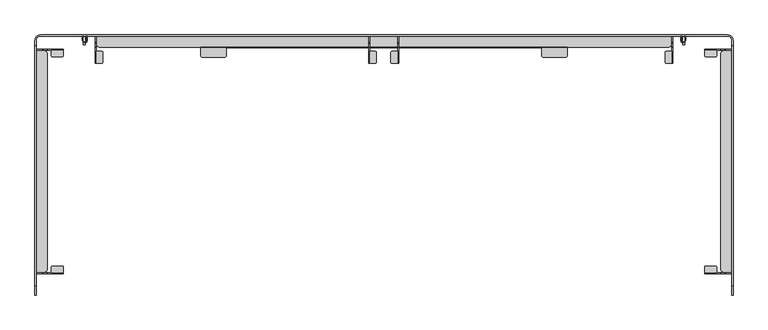
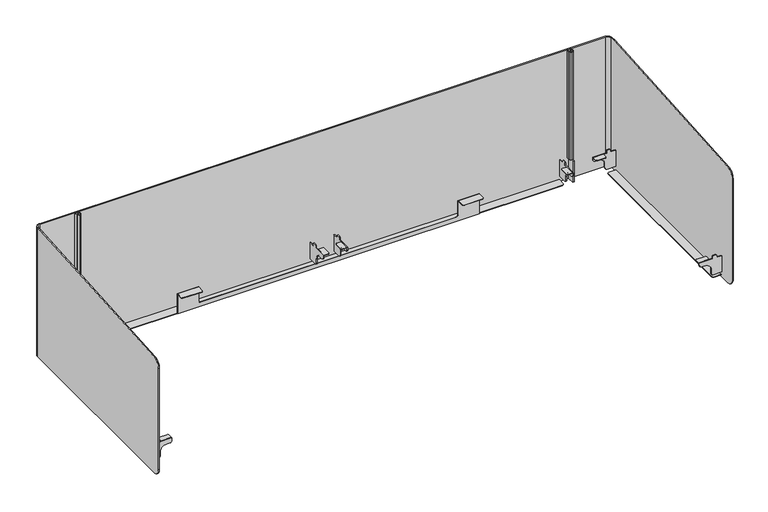
"""IFC4 building model written with IfcOpenShell, lengths in millimetres: furniture geometry."""

from ifc_helpers import new_model, si_unit, point, frame, frame_2d, origin, place, context, project, spatial, polyline, circle_curve, trimmed, segment, composite_curve, outline, extrude, source, transform, mapped, element, save
from ifc_brep_helpers import plane_surface, cylinder_surface, revolved_surface, advanced_brep


def furniture_c3acfbd5(model_context):
    return source(origin(), model_context, "Body", "SolidModel", [
        extrude(outline(composite_curve([segment(trimmed(circle_curve(frame_2d((865.2241162, -13.8465638)), 3.6795572), [point((865.2241162, -10.1670066))], [point((868.9036734, -13.8465638))], False, "CARTESIAN"), True, "CONTINUOUS"), segment(polyline([(868.9036734, -13.8465638), (868.9036734, -37.6159502)]), True, "CONTINUOUS"), segment(trimmed(circle_curve(frame_2d((865.3716228, -37.6159502)), 3.5320505), [point((868.9036734, -37.6159502))], [point((865.3716228, -41.1480008))], False, "CARTESIAN"), True, "CONTINUOUS"), segment(polyline([(865.3716228, -41.1480008), (851.9236778, -41.1480008), (851.9236778, -10.1670066), (865.2241162, -10.1670066)]), True, "CONTINUOUS")], self_intersect=False)), frame((0.0, 0.0, 705.0249787), z_axis=(0.0, 0.0, 1.0), x_axis=(1.0, 0.0, 0.0)), (0.0, 0.0, 1.0), 1.4990364),
        extrude(outline(composite_curve([segment(polyline([(-41.1480008, 698.3549885), (-41.1480008, 706.5240151), (-0.0170065, 706.5240151), (-0.0170065, 714.0049538), (1.9829938, 716.0049771), (10.0529937, 716.0049771), (12.0529943, 714.0049765), (12.0529943, 706.5240151), (28.7019992, 706.5240151), (28.7019992, 653.2489966), (2.0710893, 653.2489966)]), True, "CONTINUOUS"), segment(trimmed(circle_curve(frame_2d((2.0710893, 660.1980932)), 6.9490967), [point((2.0710893, 653.2489966))], [point((-4.8780074, 660.1980932))], False, "CARTESIAN"), True, "CONTINUOUS"), segment(polyline([(-4.8780074, 660.1980932), (-4.8780074, 672.9549885)]), True, "CONTINUOUS"), segment(trimmed(circle_curve(frame_2d((-23.9280074, 672.9549885)), 19.05), [point((-4.8780074, 672.9549885))], [point((-23.9280074, 692.0049885))], True, "CARTESIAN"), True, "CONTINUOUS"), segment(polyline([(-23.9280074, 692.0049885), (-34.7980008, 692.0049885)]), True, "CONTINUOUS"), segment(trimmed(circle_curve(frame_2d((-34.7980008, 698.3549885)), 6.35), [point((-34.7980008, 692.0049885))], [point((-41.1480008, 698.3549885))], False, "CARTESIAN"), True, "CONTINUOUS")], self_intersect=False)), frame((849.4046455, 0.0, 0.0), z_axis=(1.0, 0.0, 0.0), x_axis=(0.0, 1.0, 0.0)), (0.0, 0.0, 1.0), 2.5190323),
        extrude(outline(composite_curve([segment(polyline([(909.7278625, -10.1670066), (923.0283009, -10.1670066), (923.0283009, -41.1480008), (909.5803559, -41.1480008)]), True, "CONTINUOUS"), segment(trimmed(circle_curve(frame_2d((909.5803559, -37.6159502)), 3.5320505), [point((909.5803559, -41.1480008))], [point((906.0483053, -37.6159502))], False, "CARTESIAN"), True, "CONTINUOUS"), segment(polyline([(906.0483053, -37.6159502), (906.0483053, -13.8465638)]), True, "CONTINUOUS"), segment(trimmed(circle_curve(frame_2d((909.7278625, -13.8465638)), 3.6795572), [point((906.0483053, -13.8465638))], [point((909.7278625, -10.1670066))], False, "CARTESIAN"), True, "CONTINUOUS")], self_intersect=False)), frame((0.0, 0.0, 705.0249787), z_axis=(0.0, 0.0, 1.0), x_axis=(1.0, 0.0, 0.0)), (0.0, 0.0, 1.0), 1.4990364),
        extrude(outline(composite_curve([segment(polyline([(-41.1480008, 698.3549885), (-41.1480008, 706.5240151), (-0.0170065, 706.5240151), (-0.0170065, 714.0049538), (1.9829938, 716.0049771), (10.0529937, 716.0049771), (12.0529943, 714.0049765), (12.0529943, 706.5240151), (28.7019992, 706.5240151), (28.7019992, 653.2489966), (2.0710893, 653.2489966)]), True, "CONTINUOUS"), segment(trimmed(circle_curve(frame_2d((2.0710893, 660.1980932)), 6.9490967), [point((2.0710893, 653.2489966))], [point((-4.8780074, 660.1980932))], False, "CARTESIAN"), True, "CONTINUOUS"), segment(polyline([(-4.8780074, 660.1980932), (-4.8780074, 672.9549885)]), True, "CONTINUOUS"), segment(trimmed(circle_curve(frame_2d((-23.9280074, 672.9549885)), 19.05), [point((-4.8780074, 672.9549885))], [point((-23.9280074, 692.0049885))], True, "CARTESIAN"), True, "CONTINUOUS"), segment(polyline([(-23.9280074, 692.0049885), (-34.7980008, 692.0049885)]), True, "CONTINUOUS"), segment(trimmed(circle_curve(frame_2d((-34.7980008, 698.3549885)), 6.35), [point((-34.7980008, 692.0049885))], [point((-41.1480008, 698.3549885))], False, "CARTESIAN"), True, "CONTINUOUS")], self_intersect=False)), frame((923.0283009, 0.0, 0.0), z_axis=(1.0, 0.0, 0.0), x_axis=(0.0, 1.0, 0.0)), (0.0, 0.0, 1.0), 2.5190323),
        extrude(outline(composite_curve([segment(polyline([(38.8690059, -20.5678688), (38.8690059, -7.2674304), (69.85, -7.2674304), (69.85, -20.7153754)]), True, "CONTINUOUS"), segment(trimmed(circle_curve(frame_2d((66.3179495, -20.7153754)), 3.5320505), [point((69.85, -20.7153754))], [point((66.3179495, -24.247426))], False, "CARTESIAN"), True, "CONTINUOUS"), segment(polyline([(66.3179495, -24.247426), (42.5485631, -24.247426)]), True, "CONTINUOUS"), segment(trimmed(circle_curve(frame_2d((42.5485631, -20.5678688)), 3.6795572), [point((42.5485631, -24.247426))], [point((38.8690059, -20.5678688))], False, "CARTESIAN"), True, "CONTINUOUS")], self_intersect=False)), frame((0.0, 0.0, 705.0249787), z_axis=(0.0, 0.0, 1.0), x_axis=(1.0, 0.0, 0.0)), (0.0, 0.0, 1.0), 1.4990364),
        extrude(outline(composite_curve([segment(polyline([(698.3549885, 69.85), (706.5240151, 69.85), (706.5240151, 28.7190057), (714.0049538, 28.7190057), (716.0049771, 26.7190054), (716.0049771, 18.6490055), (714.0049765, 16.649005), (706.5240151, 16.649005), (706.5240151, 0.0), (653.2489966, 0.0), (653.2489966, 26.6309099)]), True, "CONTINUOUS"), segment(trimmed(circle_curve(frame_2d((660.1980932, 26.6309099)), 6.9490967), [point((653.2489966, 26.6309099))], [point((660.1980932, 33.5800066))], False, "CARTESIAN"), True, "CONTINUOUS"), segment(polyline([(660.1980932, 33.5800066), (672.9549885, 33.5800066)]), True, "CONTINUOUS"), segment(trimmed(circle_curve(frame_2d((672.9549885, 52.6300066)), 19.05), [point((672.9549885, 33.5800066))], [point((692.0049885, 52.6300066))], True, "CARTESIAN"), True, "CONTINUOUS"), segment(polyline([(692.0049885, 52.6300066), (692.0049885, 63.5)]), True, "CONTINUOUS"), segment(trimmed(circle_curve(frame_2d((698.3549885, 63.5)), 6.35), [point((692.0049885, 63.5))], [point((698.3549885, 69.85))], False, "CARTESIAN"), True, "CONTINUOUS")], self_intersect=False)), frame((0.0, -7.2674304, 0.0), z_axis=(0.0, 1.0, 0.0), x_axis=(0.0, 0.0, 1.0)), (0.0, 0.0, 1.0), 2.5190323),
        extrude(outline(composite_curve([segment(trimmed(circle_curve(frame_2d((1734.3734498, -20.5678688)), 3.6795572), [point((1738.053007, -20.5678688))], [point((1734.3734498, -24.247426))], False, "CARTESIAN"), True, "CONTINUOUS"), segment(polyline([(1734.3734498, -24.247426), (1710.6040634, -24.247426)]), True, "CONTINUOUS"), segment(trimmed(circle_curve(frame_2d((1710.6040634, -20.7153754)), 3.5320505), [point((1710.6040634, -24.247426))], [point((1707.0720129, -20.7153754))], False, "CARTESIAN"), True, "CONTINUOUS"), segment(polyline([(1707.0720129, -20.7153754), (1707.0720129, -7.2674304), (1738.053007, -7.2674304), (1738.053007, -20.5678688)]), True, "CONTINUOUS")], self_intersect=False)), frame((0.0, 0.0, 705.0249787), z_axis=(0.0, 0.0, 1.0), x_axis=(1.0, 0.0, 0.0)), (0.0, 0.0, 1.0), 1.4990364),
        extrude(outline(composite_curve([segment(trimmed(circle_curve(frame_2d((698.3549885, 1713.4220129)), 6.35), [point((698.3549885, 1707.0720129))], [point((692.0049885, 1713.4220129))], False, "CARTESIAN"), True, "CONTINUOUS"), segment(polyline([(692.0049885, 1713.4220129), (692.0049885, 1724.2920063)]), True, "CONTINUOUS"), segment(trimmed(circle_curve(frame_2d((672.9549885, 1724.2920063)), 19.05), [point((692.0049885, 1724.2920063))], [point((672.9549885, 1743.3420063))], True, "CARTESIAN"), True, "CONTINUOUS"), segment(polyline([(672.9549885, 1743.3420063), (660.1980932, 1743.3420063)]), True, "CONTINUOUS"), segment(trimmed(circle_curve(frame_2d((660.1980932, 1750.291103)), 6.9490967), [point((660.1980932, 1743.3420063))], [point((653.2489966, 1750.291103))], False, "CARTESIAN"), True, "CONTINUOUS"), segment(polyline([(653.2489966, 1750.291103), (653.2489966, 1776.9220129), (706.5240151, 1776.9220129), (706.5240151, 1760.2730079), (714.0049765, 1760.2730079), (716.0049771, 1758.2730074), (716.0049771, 1750.2030075), (714.0049538, 1748.2030072), (706.5240151, 1748.2030072), (706.5240151, 1707.0720129), (698.3549885, 1707.0720129)]), True, "CONTINUOUS")], self_intersect=False)), frame((0.0, -7.2674304, 0.0), z_axis=(0.0, 1.0, 0.0), x_axis=(0.0, 0.0, 1.0)), (0.0, 0.0, 1.0), 2.5190323),
        extrude(outline(composite_curve([segment(trimmed(circle_curve(frame_2d((42.5485631, -562.1616728)), 3.6795572), [point((38.8690059, -562.1616728))], [point((42.5485631, -558.4821156))], False, "CARTESIAN"), True, "CONTINUOUS"), segment(polyline([(42.5485631, -558.4821156), (66.3179495, -558.4821156)]), True, "CONTINUOUS"), segment(trimmed(circle_curve(frame_2d((66.3179495, -562.0141661)), 3.5320505), [point((66.3179495, -558.4821156))], [point((69.85, -562.0141661))], False, "CARTESIAN"), True, "CONTINUOUS"), segment(polyline([(69.85, -562.0141661), (69.85, -575.4621111), (38.8690059, -575.4621111), (38.8690059, -562.1616728)]), True, "CONTINUOUS")], self_intersect=False)), frame((0.0, 0.0, 705.0249787), z_axis=(0.0, 0.0, 1.0), x_axis=(1.0, 0.0, 0.0)), (0.0, 0.0, 1.0), 1.4990364),
        extrude(outline(composite_curve([segment(polyline([(698.3549885, 69.85), (706.5240151, 69.85), (706.5240151, 28.7190057), (714.0049538, 28.7190057), (716.0049771, 26.7190054), (716.0049771, 18.6490055), (714.0049765, 16.649005), (706.5240151, 16.649005), (706.5240151, 0.0), (653.2489966, 0.0), (653.2489966, 26.6309099)]), True, "CONTINUOUS"), segment(trimmed(circle_curve(frame_2d((660.1980932, 26.6309099)), 6.9490967), [point((653.2489966, 26.6309099))], [point((660.1980932, 33.5800066))], False, "CARTESIAN"), True, "CONTINUOUS"), segment(polyline([(660.1980932, 33.5800066), (672.9549885, 33.5800066)]), True, "CONTINUOUS"), segment(trimmed(circle_curve(frame_2d((672.9549885, 52.6300066)), 19.05), [point((672.9549885, 33.5800066))], [point((692.0049885, 52.6300066))], True, "CARTESIAN"), True, "CONTINUOUS"), segment(polyline([(692.0049885, 52.6300066), (692.0049885, 63.5)]), True, "CONTINUOUS"), segment(trimmed(circle_curve(frame_2d((698.3549885, 63.5)), 6.35), [point((692.0049885, 63.5))], [point((698.3549885, 69.85))], False, "CARTESIAN"), True, "CONTINUOUS")], self_intersect=False)), frame((0.0, -577.9811434, 0.0), z_axis=(0.0, 1.0, 0.0), x_axis=(0.0, 0.0, 1.0)), (0.0, 0.0, 1.0), 2.5190323),
        extrude(outline(composite_curve([segment(polyline([(1738.053007, -562.1616728), (1738.053007, -575.4621111), (1707.0720129, -575.4621111), (1707.0720129, -562.0141661)]), True, "CONTINUOUS"), segment(trimmed(circle_curve(frame_2d((1710.6040634, -562.0141661)), 3.5320505), [point((1707.0720129, -562.0141661))], [point((1710.6040634, -558.4821156))], False, "CARTESIAN"), True, "CONTINUOUS"), segment(polyline([(1710.6040634, -558.4821156), (1734.3734498, -558.4821156)]), True, "CONTINUOUS"), segment(trimmed(circle_curve(frame_2d((1734.3734498, -562.1616728)), 3.6795572), [point((1734.3734498, -558.4821156))], [point((1738.053007, -562.1616728))], False, "CARTESIAN"), True, "CONTINUOUS")], self_intersect=False)), frame((0.0, 0.0, 705.0249787), z_axis=(0.0, 0.0, 1.0), x_axis=(1.0, 0.0, 0.0)), (0.0, 0.0, 1.0), 1.4990364),
        extrude(outline(composite_curve([segment(trimmed(circle_curve(frame_2d((698.3549885, 1713.4220129)), 6.35), [point((698.3549885, 1707.0720129))], [point((692.0049885, 1713.4220129))], False, "CARTESIAN"), True, "CONTINUOUS"), segment(polyline([(692.0049885, 1713.4220129), (692.0049885, 1724.2920063)]), True, "CONTINUOUS"), segment(trimmed(circle_curve(frame_2d((672.9549885, 1724.2920063)), 19.05), [point((692.0049885, 1724.2920063))], [point((672.9549885, 1743.3420063))], True, "CARTESIAN"), True, "CONTINUOUS"), segment(polyline([(672.9549885, 1743.3420063), (660.1980932, 1743.3420063)]), True, "CONTINUOUS"), segment(trimmed(circle_curve(frame_2d((660.1980932, 1750.291103)), 6.9490967), [point((660.1980932, 1743.3420063))], [point((653.2489966, 1750.291103))], False, "CARTESIAN"), True, "CONTINUOUS"), segment(polyline([(653.2489966, 1750.291103), (653.2489966, 1776.9220129), (706.5240151, 1776.9220129), (706.5240151, 1760.2730079), (714.0049765, 1760.2730079), (716.0049771, 1758.2730074), (716.0049771, 1750.2030075), (714.0049538, 1748.2030072), (706.5240151, 1748.2030072), (706.5240151, 1707.0720129), (698.3549885, 1707.0720129)]), True, "CONTINUOUS")], self_intersect=False)), frame((0.0, -577.9811434, 0.0), z_axis=(0.0, 1.0, 0.0), x_axis=(0.0, 0.0, 1.0)), (0.0, 0.0, 1.0), 2.5190323),
        extrude(outline(composite_curve([segment(trimmed(circle_curve(frame_2d((166.8231194, -13.8465638)), 3.6795572), [point((166.8231194, -10.1670066))], [point((170.5026766, -13.8465638))], False, "CARTESIAN"), True, "CONTINUOUS"), segment(polyline([(170.5026766, -13.8465638), (170.5026766, -37.6159502)]), True, "CONTINUOUS"), segment(trimmed(circle_curve(frame_2d((166.9706261, -37.6159502)), 3.5320505), [point((170.5026766, -37.6159502))], [point((166.9706261, -41.1480008))], False, "CARTESIAN"), True, "CONTINUOUS"), segment(polyline([(166.9706261, -41.1480008), (153.5226811, -41.1480008), (153.5226811, -10.1670066), (166.8231194, -10.1670066)]), True, "CONTINUOUS")], self_intersect=False)), frame((0.0, 0.0, 705.0249787), z_axis=(0.0, 0.0, 1.0), x_axis=(1.0, 0.0, 0.0)), (0.0, 0.0, 1.0), 1.4990364),
        extrude(outline(composite_curve([segment(polyline([(-41.1480008, 698.3549885), (-41.1480008, 706.5240151), (-0.0170065, 706.5240151), (-0.0170065, 714.0049538), (1.9829938, 716.0049771), (10.0529937, 716.0049771), (12.0529943, 714.0049765), (12.0529943, 706.5240151), (28.7019992, 706.5240151), (28.7019992, 653.2489966), (2.0710893, 653.2489966)]), True, "CONTINUOUS"), segment(trimmed(circle_curve(frame_2d((2.0710893, 660.1980932)), 6.9490967), [point((2.0710893, 653.2489966))], [point((-4.8780074, 660.1980932))], False, "CARTESIAN"), True, "CONTINUOUS"), segment(polyline([(-4.8780074, 660.1980932), (-4.8780074, 672.9549885)]), True, "CONTINUOUS"), segment(trimmed(circle_curve(frame_2d((-23.9280074, 672.9549885)), 19.05), [point((-4.8780074, 672.9549885))], [point((-23.9280074, 692.0049885))], True, "CARTESIAN"), True, "CONTINUOUS"), segment(polyline([(-23.9280074, 692.0049885), (-34.7980008, 692.0049885)]), True, "CONTINUOUS"), segment(trimmed(circle_curve(frame_2d((-34.7980008, 698.3549885)), 6.35), [point((-34.7980008, 692.0049885))], [point((-41.1480008, 698.3549885))], False, "CARTESIAN"), True, "CONTINUOUS")], self_intersect=False)), frame((151.0036488, 0.0, 0.0), z_axis=(1.0, 0.0, 0.0), x_axis=(0.0, 1.0, 0.0)), (0.0, 0.0, 1.0), 2.5190323),
        extrude(outline(composite_curve([segment(polyline([(1610.1269253, -10.1670066), (1623.4273636, -10.1670066), (1623.4273636, -41.1480008), (1609.9794186, -41.1480008)]), True, "CONTINUOUS"), segment(trimmed(circle_curve(frame_2d((1609.9794186, -37.6159502)), 3.5320505), [point((1609.9794186, -41.1480008))], [point((1606.4473681, -37.6159502))], False, "CARTESIAN"), True, "CONTINUOUS"), segment(polyline([(1606.4473681, -37.6159502), (1606.4473681, -13.8465638)]), True, "CONTINUOUS"), segment(trimmed(circle_curve(frame_2d((1610.1269253, -13.8465638)), 3.6795572), [point((1606.4473681, -13.8465638))], [point((1610.1269253, -10.1670066))], False, "CARTESIAN"), True, "CONTINUOUS")], self_intersect=False)), frame((0.0, 0.0, 705.0249787), z_axis=(0.0, 0.0, 1.0), x_axis=(1.0, 0.0, 0.0)), (0.0, 0.0, 1.0), 1.4990364),
        extrude(outline(composite_curve([segment(polyline([(-41.1480008, 698.3549885), (-41.1480008, 706.5240151), (-0.0170065, 706.5240151), (-0.0170065, 714.0049538), (1.9829938, 716.0049771), (10.0529937, 716.0049771), (12.0529943, 714.0049765), (12.0529943, 706.5240151), (28.7019992, 706.5240151), (28.7019992, 653.2489966), (2.0710893, 653.2489966)]), True, "CONTINUOUS"), segment(trimmed(circle_curve(frame_2d((2.0710893, 660.1980932)), 6.9490967), [point((2.0710893, 653.2489966))], [point((-4.8780074, 660.1980932))], False, "CARTESIAN"), True, "CONTINUOUS"), segment(polyline([(-4.8780074, 660.1980932), (-4.8780074, 672.9549885)]), True, "CONTINUOUS"), segment(trimmed(circle_curve(frame_2d((-23.9280074, 672.9549885)), 19.05), [point((-4.8780074, 672.9549885))], [point((-23.9280074, 692.0049885))], True, "CARTESIAN"), True, "CONTINUOUS"), segment(polyline([(-23.9280074, 692.0049885), (-34.7980008, 692.0049885)]), True, "CONTINUOUS"), segment(trimmed(circle_curve(frame_2d((-34.7980008, 698.3549885)), 6.35), [point((-34.7980008, 692.0049885))], [point((-41.1480008, 698.3549885))], False, "CARTESIAN"), True, "CONTINUOUS")], self_intersect=False)), frame((1623.4273636, 0.0, 0.0), z_axis=(1.0, 0.0, 0.0), x_axis=(0.0, 1.0, 0.0)), (0.0, 0.0, 1.0), 2.5190323),
        extrude(outline(polyline([(1656.3590105, 6.3500002), (1650.7790186, 6.3500002), (1650.7790186, 31.7499992), (1656.3590105, 31.7499992), (1656.3590105, 6.3500002)])), frame((0.0, 0.0, 636.524), z_axis=(0.0, 0.0, 1.0), x_axis=(1.0, 0.0, 0.0)), (0.0, 0.0, 1.0), 69.9633167),
        extrude(outline(polyline([(126.170996, 6.3500002), (120.5910041, 6.3500002), (120.5910041, 31.7499992), (126.170996, 31.7499992), (126.170996, 6.3500002)])), frame((0.0, 0.0, 636.524), z_axis=(0.0, 0.0, 1.0), x_axis=(1.0, 0.0, 0.0)), (0.0, 0.0, 1.0), 69.9633167),
        extrude(outline(polyline([(420.4740132, -1.520001), (485.4740218, -1.520001), (485.4740218, -22.4209839), (482.4740079, -25.4210024), (423.4740118, -25.4210024), (420.4740132, -22.4209993), (420.4740132, -1.520001)])), frame((0.0, 0.0, 705.0249787), z_axis=(0.0, 0.0, 1.0), x_axis=(1.0, 0.0, 0.0)), (0.0, 0.0, 1.0), 1.4623381),
        extrude(outline(polyline([(1291.4759718, -1.520001), (1356.4760014, -1.520001), (1356.4760014, -22.4209993), (1353.4759665, -25.4210024), (1294.4760067, -25.4210024), (1291.4759718, -22.4209993), (1291.4759718, -1.520001)])), frame((0.0, 0.0, 705.0249787), z_axis=(0.0, 0.0, 1.0), x_axis=(1.0, 0.0, 0.0)), (0.0, 0.0, 1.0), 1.4623381),
        extrude(outline(polyline([(706.4873167, 420.4740132), (641.2049643, 420.4740132), (641.2049643, 1356.4760014), (706.4873167, 1356.4760014), (706.4873167, 1291.4759718), (660.5239886, 1291.4759718), (656.2813696, 1289.7186663), (654.5239914, 1285.4759747), (654.5239914, 897.3889432), (654.5239914, 491.4740036), (656.2813696, 487.2313483), (660.5239515, 485.4740218), (706.4873167, 485.4740218), (706.4873167, 420.4740132)])), frame((0.0, -1.520001, 0.0), z_axis=(0.0, 1.0, 0.0), x_axis=(0.0, 0.0, 1.0)), (0.0, 0.0, 1.0), 1.520001),
        extrude(outline(polyline([(154.9749937, 28.7019992), (1621.9750056, 28.7019992), (1621.9750056, 6.7789995), (1620.2176274, 2.5363595), (1615.9750084, 0.7790004), (160.9749908, 0.7790004), (156.7323901, 2.5363595), (154.9749937, 6.7789995), (154.9749937, 28.7019992)])), frame((0.0, 0.0, 641.2049643), z_axis=(0.0, 0.0, 1.0), x_axis=(1.0, 0.0, 0.0)), (0.0, 0.0, 1.0), 1.4990364),
        extrude(outline(polyline([(1776.9220129, -8.7197502), (1776.9220129, -574.0097894), (1754.8217659, -574.0097894), (1750.579147, -572.2524112), (1748.821766, -568.0097854), (1748.821766, -14.7197388), (1750.579147, -10.4771335), (1754.8217659, -8.7197502), (1776.9220129, -8.7197502)])), frame((0.0, 0.0, 641.2049643), z_axis=(0.0, 0.0, 1.0), x_axis=(1.0, 0.0, 0.0)), (0.0, 0.0, 1.0), 1.4990364),
        extrude(outline(polyline([(0.0, -8.7197502), (22.1282492, -8.7197502), (26.3708909, -10.4771335), (28.1282486, -14.719732), (28.1282486, -568.0097923), (26.3708909, -572.2524112), (22.1282492, -574.0097894), (0.0, -574.0097894), (0.0, -8.7197502)])), frame((0.0, 0.0, 641.2049643), z_axis=(0.0, 0.0, 1.0), x_axis=(1.0, 0.0, 0.0)), (0.0, 0.0, 1.0), 1.4990364),
        extrude(outline(polyline([(1658.8200103, 27.7300003), (1658.8200103, 17.9800004), (1656.9894352, 13.5605822), (1652.5700102, 11.7300003), (1648.1505943, 13.5605822), (1646.3200102, 17.9800004), (1646.3200102, 27.7300003), (1647.2920114, 28.7019992), (1649.8200146, 28.7019992), (1649.8200146, 27.2300012), (1647.8200186, 27.2300012), (1647.8200186, 17.9800004), (1649.2112581, 14.6212426), (1652.5700102, 13.2299996), (1655.9287714, 14.6212426), (1657.320011, 17.9800004), (1657.320011, 27.2300012), (1655.320015, 27.2300012), (1655.320015, 28.7019992), (1657.8480179, 28.7019992), (1658.8200103, 27.7300003)])), frame((0.0, 0.0, 706.4873167), z_axis=(0.0, 0.0, 1.0), x_axis=(1.0, 0.0, 0.0)), (0.0, 0.0, 1.0), 353.3662323),
        extrude(outline(polyline([(118.1300043, 27.7300003), (119.1019967, 28.7019992), (121.6299996, 28.7019992), (121.6299996, 27.2300012), (119.6300036, 27.2300012), (119.6300036, 17.9800004), (121.0212432, 14.6212426), (124.3800044, 13.2299996), (127.7387565, 14.6212426), (129.129996, 17.9800004), (129.129996, 27.2300012), (127.13, 27.2300012), (127.13, 28.7019992), (129.6580032, 28.7019992), (130.6300044, 27.7300003), (130.6300044, 17.9800004), (128.7994203, 13.5605822), (124.3800044, 11.7300003), (119.9605794, 13.5605822), (118.1300043, 17.9800004), (118.1300043, 27.7300003)])), frame((0.0, 0.0, 706.4873167), z_axis=(0.0, 0.0, 1.0), x_axis=(1.0, 0.0, 0.0)), (0.0, 0.0, 1.0), 353.3662323),
        advanced_brep(
        [(1779.9700129, 17.2186658, 1059.853549), (1765.4386795, 31.7499992, 1059.853549), (11.5113351, 31.7499992, 1059.853549), (-3.0199983, 17.2186658, 1059.853549), (-3.0199983, 4.9133156, 1059.853549), (0.0, 4.9133156, 1059.853549), (0.0, 17.2050844, 1059.853549), (11.4969149, 28.7019992, 1059.853549), (1765.4530997, 28.7019992, 1059.853549), (1776.9220129, 18.0070086, 1059.853549), (1776.9220129, 4.9133156, 1059.853549), (1779.9700129, 4.9133156, 1059.853549), (1776.9220129, 18.0070086, 636.524), (1765.4530997, 28.7019992, 636.524), (11.4969149, 28.7019992, 636.524), (0.0, 17.2050844, 636.524), (0.0, -608.4600122, 636.524), (-3.0199983, -608.4600122, 636.524), (-3.0199983, 17.2186658, 636.524), (11.5113351, 31.7499992, 636.524), (1765.4386795, 31.7499992, 636.524), (1779.9700129, 17.2186658, 636.524), (1779.9700129, -608.4600122, 636.524), (1776.9220129, -608.4600122, 636.524), (1779.9700129, -632.4600008, 991.2711073), (1776.9220129, -632.4600008, 991.2711073), (1776.9220129, -632.4600008, 660.5239886), (1779.9700129, -632.4600008, 660.5239886), (-3.0199983, -632.4600008, 660.5239886), (-3.0199983, -632.4600008, 991.2711073), (-3.0199983, -610.1341833, 1016.8445463), (0.0, -632.4600008, 991.2711073), (0.0, -632.4600008, 660.5239886), (0.0, -610.1341833, 1016.8445463), (1776.9220129, -610.1341833, 1016.8445463), (1779.9700129, -610.1341833, 1016.8445463)],
        [
            (0, 1, circle_curve(frame((1765.4386795, 17.2186658, 1059.853549), z_axis=(0.0, 0.0, 1.0), x_axis=(1.0, 0.0, 0.0)), 14.5313334)),
            (1, 2),
            (2, 3, circle_curve(frame((11.5113351, 17.2186658, 1059.853549), z_axis=(0.0, 0.0, 1.0), x_axis=(1.0, 0.0, 0.0)), 14.5313334)),
            (3, 4),
            (4, 5),
            (5, 6),
            (6, 7, circle_curve(frame((11.4969149, 17.2050844, 1059.853549), z_axis=(0.0, 0.0, -1.0), x_axis=(1.0, 0.0, 0.0)), 11.4969149)),
            (7, 8),
            (8, 9, circle_curve(frame((1765.4530997, 17.2050844, 1059.853549), z_axis=(0.0, 0.0, -1.0), x_axis=(1.0, 0.0, 0.0)), 11.4969149)),
            (9, 10),
            (10, 11),
            (11, 0),
            (12, 13, circle_curve(frame((1765.4530997, 17.2050844, 636.524), z_axis=(0.0, 0.0, 1.0), x_axis=(1.0, 0.0, 0.0)), 11.4969149)),
            (13, 14),
            (14, 15, circle_curve(frame((11.4969149, 17.2050844, 636.524), z_axis=(0.0, 0.0, 1.0), x_axis=(1.0, 0.0, 0.0)), 11.4969149)),
            (15, 16),
            (16, 17),
            (17, 18),
            (18, 19, circle_curve(frame((11.5113351, 17.2186658, 636.524), z_axis=(0.0, 0.0, -1.0), x_axis=(1.0, 0.0, 0.0)), 14.5313334)),
            (19, 20),
            (20, 21, circle_curve(frame((1765.4386795, 17.2186658, 636.524), z_axis=(0.0, 0.0, -1.0), x_axis=(1.0, 0.0, 0.0)), 14.5313334)),
            (21, 22),
            (22, 23),
            (23, 12),
            (24, 25),
            (25, 26),
            (26, 27),
            (27, 24),
            (1, 20),
            (19, 2),
            (3, 18),
            (17, 28, circle_curve(frame((-3.0199983, -608.4600122, 660.5239886), z_axis=(-1.0, 0.0, 0.0), x_axis=(0.0, 1.0, 0.0)), 23.9999886)),
            (28, 29),
            (29, 30, circle_curve(frame((-3.0199983, -606.6503544, 991.2711073), z_axis=(-1.0, 0.0, 0.0), x_axis=(0.0, 1.0, 0.0)), 25.8096464)),
            (30, 4),
            (31, 29),
            (28, 32),
            (32, 31),
            (15, 6),
            (5, 33),
            (33, 31, circle_curve(frame((0.0, -606.6503544, 991.2711073), z_axis=(1.0, 0.0, 0.0), x_axis=(0.0, 1.0, 0.0)), 25.8096464)),
            (32, 16, circle_curve(frame((0.0, -608.4600122, 660.5239886), z_axis=(1.0, 0.0, 0.0), x_axis=(0.0, 1.0, 0.0)), 23.9999886)),
            (7, 14),
            (13, 8),
            (9, 12),
            (23, 26, circle_curve(frame((1776.9220129, -608.4600122, 660.5239886), z_axis=(-1.0, 0.0, 0.0), x_axis=(0.0, 1.0, 0.0)), 23.9999886)),
            (25, 34, circle_curve(frame((1776.9220129, -606.6503544, 991.2711073), z_axis=(-1.0, 0.0, 0.0), x_axis=(0.0, 1.0, 0.0)), 25.8096464)),
            (34, 10),
            (21, 0),
            (11, 35),
            (35, 24, circle_curve(frame((1779.9700129, -606.6503544, 991.2711073), z_axis=(1.0, 0.0, 0.0), x_axis=(0.0, 1.0, 0.0)), 25.8096464)),
            (27, 22, circle_curve(frame((1779.9700129, -608.4600122, 660.5239886), z_axis=(1.0, 0.0, 0.0), x_axis=(0.0, 1.0, 0.0)), 23.9999886)),
            (33, 30),
            (35, 34),
        ],
        [
            plane_surface(frame((1779.9700129, -632.4600008, 1059.853549), z_axis=(0.0, 0.0, 1.0), x_axis=(1.0, 0.0, 0.0))),
            plane_surface(frame((1779.9700129, -632.4600008, 636.524), z_axis=(0.0, 0.0, -1.0), x_axis=(-1.0, 0.0, 0.0))),
            plane_surface(frame((1776.9220129, -632.4600008, 1059.853549), z_axis=(0.0, -1.0, 0.0), x_axis=(0.0, 0.0, -1.0))),
            plane_surface(frame((1765.4386795, 31.7499992, 1059.853549), z_axis=(0.0, 1.0, 0.0), x_axis=(0.0, 0.0, -1.0))),
            plane_surface(frame((-3.0199983, 17.2186658, 1059.853549), z_axis=(-1.0, 0.0, 0.0), x_axis=(0.0, 0.0, -1.0))),
            plane_surface(frame((-3.0199983, -632.4600008, 1059.853549), z_axis=(0.0, -1.0, 0.0), x_axis=(0.0, 0.0, -1.0))),
            plane_surface(frame((0.0, -632.4600008, 1059.853549), z_axis=(1.0, 0.0, 0.0), x_axis=(0.0, 0.0, -1.0))),
            plane_surface(frame((11.4969149, 28.7019992, 1059.853549), z_axis=(0.0, -1.0, 0.0), x_axis=(0.0, 0.0, -1.0))),
            plane_surface(frame((1776.9220129, 18.0070086, 1059.853549), z_axis=(-1.0, 0.0, 0.0), x_axis=(0.0, 0.0, -1.0))),
            cylinder_surface(frame((11.5113351, 17.2186658, 636.524), z_axis=(0.0, 0.0, 1.0), x_axis=(1.0, 0.0, 0.0)), 14.5313334),
            revolved_surface(polyline([(22.9938298, 17.2050844, 636.524), (22.9938298, 17.2050844, 1059.853549)]), (11.4969149, 17.2050844, 636.524), (0.0, 0.0, -1.0)),
            plane_surface(frame((1779.9700129, -632.4600008, 1059.853549), z_axis=(1.0, 0.0, 0.0), x_axis=(0.0, 0.0, -1.0))),
            cylinder_surface(frame((1765.4386795, 17.2186658, 636.524), z_axis=(0.0, 0.0, 1.0), x_axis=(1.0, 0.0, 0.0)), 14.5313334),
            revolved_surface(polyline([(1776.9500146, 17.2050844, 636.524), (1776.9500146, 17.2050844, 1059.853549)]), (1765.4530997, 17.2050844, 636.524), (0.0, 0.0, -1.0)),
            cylinder_surface(frame((-27.2197398, -606.6503544, 991.2711073), z_axis=(-1.0, 0.0, 0.0), x_axis=(0.0, 1.0, 0.0)), 25.8096464),
            plane_surface(frame((1811.7200129, -610.1341833, 1016.8445463), z_axis=(0.0, -0.06975759048749605, 0.9975639721688925), x_axis=(-1.0, 0.0, 0.0))),
            cylinder_surface(frame((-27.2197398, -608.4600122, 660.5239886), z_axis=(-1.0, 0.0, 0.0), x_axis=(0.0, 1.0, 0.0)), 23.9999886),
        ],
        [
            (0, [[1, 2, 3, 4, 5, 6, 7, 8, 9, 10, 11, 12]]),
            (1, [[13, 14, 15, 16, 17, 18, 19, 20, 21, 22, 23, 24]]),
            (2, [[25, 26, 27, 28]]),
            (3, [[-2, 29, -20, 30]]),
            (4, [[31, -18, 32, 33, 34, 35, -4]]),
            (5, [[36, -33, 37, 38]]),
            (6, [[39, -6, 40, 41, -38, 42, -16]]),
            (7, [[-8, 43, -14, 44]]),
            (8, [[45, -24, 46, -26, 47, 48, -10]]),
            (9, [[-3, -30, -19, -31]]),
            (10, [[-7, -39, -15, -43]]),
            (11, [[49, -12, 50, 51, -28, 52, -22]]),
            (12, [[-1, -49, -21, -29]]),
            (13, [[-9, -44, -13, -45]]),
            (14, [[53, -34, -36, -41]]),
            (14, [[54, -47, -25, -51]]),
            (15, [[-53, -40, -5, -35]]),
            (15, [[-54, -50, -11, -48]]),
            (16, [[-17, -42, -37, -32]]),
            (16, [[-23, -52, -27, -46]]),
        ],
    ),
    ])


if __name__ == "__main__":
    model = new_model("IFC4")
    model_context = context("Model", 3, world=origin())
    ifc_project = project(units=[si_unit("LENGTHUNIT", "METRE", prefix="MILLI")], contexts=[model_context])
    site = spatial("IfcSite", under=ifc_project)
    building = spatial("IfcBuilding", under=site)
    placement = place(None, origin())
    furniture_shape = furniture_c3acfbd5(model_context)
    element("IfcFurniture", 1, at=placement, inside=building, context=model_context, shape_type="MappedRepresentation", body=[
        mapped(furniture_shape, transform((0.0, 0.0, 0.0), x_axis=(1.0, 0.0, 0.0), y_axis=(0.0, 1.0, 0.0), z_axis=(0.0, 0.0, 1.0))),
    ])
    save(model, "model.ifc")
